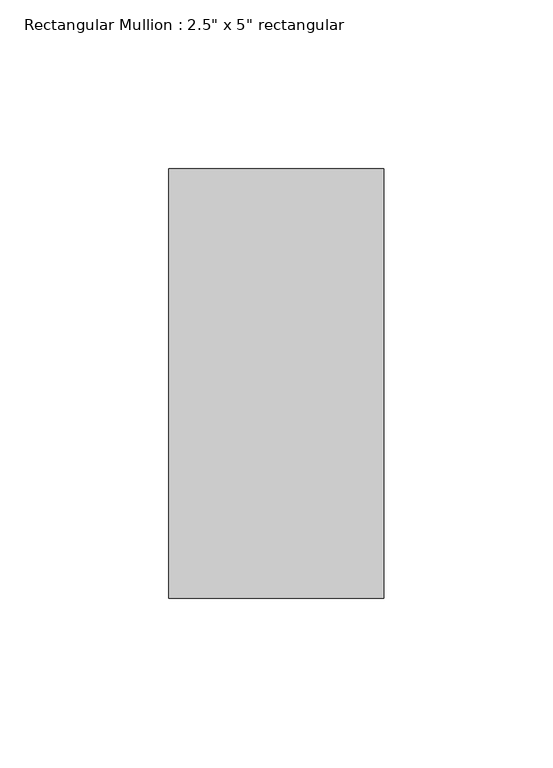
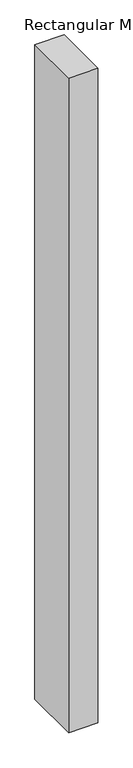
"""IFC4 building model written with IfcOpenShell, lengths in millimetres: member geometry."""

from ifc_helpers import new_model, si_unit, frame, origin, place, context, project, spatial, polyline, outline, extrude, source, transform, mapped, element, save


def member_15fc1fa5(model_context):
    return source(origin(), model_context, "Body", "SweptSolid", [
        extrude(outline(polyline([(31.75, 63.5), (31.75, -63.5), (-31.75, -63.5), (-31.75, 63.5), (31.75, 63.5)])), frame((0.0, 0.0, -1504.018755), z_axis=(0.0, 0.0, 1.0), x_axis=(1.0, 0.0, 0.0)), (0.0, 0.0, 1.0), 1504.018755),
    ])


if __name__ == "__main__":
    model = new_model("IFC4")
    model_context = context("Model", 3, world=origin())
    ifc_project = project(units=[si_unit("LENGTHUNIT", "METRE", prefix="MILLI")], contexts=[model_context])
    site = spatial("IfcSite", under=ifc_project)
    building = spatial("IfcBuilding", under=site)
    placement = place(None, origin())
    member_shape = member_15fc1fa5(model_context)
    element("IfcMember", 1, ObjectType="Rectangular Mullion : 2.5\" x 5\" rectangular", at=placement, inside=building, context=model_context, shape_type="MappedRepresentation", body=[
        mapped(member_shape, transform((0.0, 0.0, 0.0), x_axis=(1.0, 0.0, 0.0), y_axis=(0.0, 1.0, 0.0), z_axis=(0.0, 0.0, 1.0))),
    ])
    save(model, "model.ifc")
